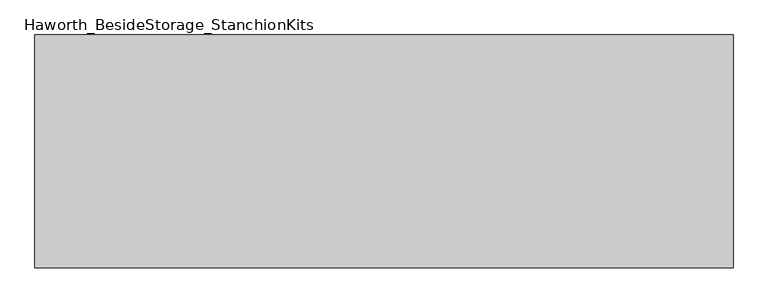
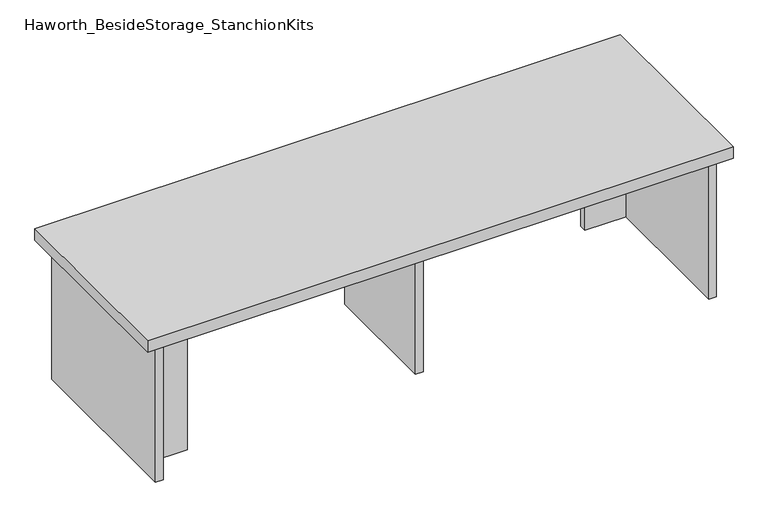
"""IFC4 building model written with IfcOpenShell, lengths in millimetres: furniture geometry, Haworth_BesideStorage_StanchionKits."""

import ifcopenshell
import ifcopenshell.guid

model = None  # the IFC model being written
_history = None  # IfcOwnerHistory: only IFC2X3 demands one
_inside = {}  # id of a spatial element -> (the spatial element, [elements in it])
_under = {}  # id of a project, library or spatial element -> (it, [spatial elements below it])
_declared = {}  # id of a project -> (the project, [libraries it declares])
_typed = {}  # id of a type object -> (the type object, [elements of that type])
_made_of = {}  # id of a material, layer set ... -> (it, [elements and type objects made of it])


def new_model(schema):
    """Start an empty IFC model of exactly this schema.

    Asked for "IFC4X3", IfcOpenShell would pick the latest addendum, in which some entities
    have other attributes; the version numbers below select the first issue.
    IFC2X3 requires an IfcOwnerHistory on every rooted entity: one is made here for all.
    """
    global model, _history
    if schema == "IFC4X3":
        model = ifcopenshell.file(schema_version=(4, 3, 0, 0))
    else:
        model = ifcopenshell.file(schema=schema)
    _inside.clear()
    _under.clear()
    _declared.clear()
    _typed.clear()
    _made_of.clear()
    _history = None
    if model.schema == "IFC2X3":
        org = make("IfcOrganization", Name="unknown")
        user = make(
            "IfcPersonAndOrganization",
            ThePerson=make("IfcPerson", FamilyName="unknown"),
            TheOrganization=org,
        )
        app = make(
            "IfcApplication",
            ApplicationDeveloper=org,
            Version="unknown",
            ApplicationFullName="unknown",
            ApplicationIdentifier="unknown",
        )
        _history = make(
            "IfcOwnerHistory",
            OwningUser=user,
            OwningApplication=app,
            ChangeAction="ADDED",
            CreationDate=0,
        )
    return model


def make(cls, **values):
    """One entity of the class cls with the attributes given. An attribute that is None is left unset."""
    return model.create_entity(
        cls, **{name: value for name, value in values.items() if value is not None}
    )


def rooted(cls, **values):
    """An entity with a GlobalId (a new one), such as an element, a storey or a relation."""
    return make(cls, GlobalId=ifcopenshell.guid.new(), OwnerHistory=_history, **values)


def si_unit(unit_type, name, prefix=None):
    """IfcSIUnit, for example si_unit("LENGTHUNIT", "METRE", prefix="MILLI")."""
    return make("IfcSIUnit", UnitType=unit_type, Prefix=prefix, Name=name)


def assignment(units):
    """IfcUnitAssignment: the units of a project."""
    return None if units is None else make("IfcUnitAssignment", Units=units)


def point(xyz):
    """IfcCartesianPoint."""
    return None if xyz is None else make("IfcCartesianPoint", Coordinates=xyz)


def direction(xyz):
    """IfcDirection."""
    return None if xyz is None else make("IfcDirection", DirectionRatios=xyz)


def frame(location, z_axis=None, x_axis=None):
    """IfcAxis2Placement3D, a coordinate frame: its origin and axes. An axis left out is left unset."""
    return make(
        "IfcAxis2Placement3D",
        Location=point(location),
        Axis=direction(z_axis),
        RefDirection=direction(x_axis),
    )


def origin():
    """The frame at (0, 0, 0) with its axes left unset."""
    return frame((0.0, 0.0, 0.0))


def place(relative_to, where):
    """IfcLocalPlacement: puts the frame where relative to a parent placement (None: the world)."""
    return make(
        "IfcLocalPlacement", PlacementRelTo=relative_to, RelativePlacement=where
    )


def context(
    kind, dimensions, precision=None, world=None, true_north=None, identifier=None
):
    """IfcGeometricRepresentationContext, for example the 3D "Model" context."""
    return make(
        "IfcGeometricRepresentationContext",
        ContextIdentifier=identifier,
        ContextType=kind,
        CoordinateSpaceDimension=dimensions,
        Precision=precision,
        WorldCoordinateSystem=world,
        TrueNorth=true_north,
    )


def project(units=None, contexts=None):
    """IfcProject with its units and contexts."""
    return rooted(
        "IfcProject",
        Name="project",
        RepresentationContexts=contexts,
        UnitsInContext=assignment(units),
    )


def spatial(cls, under=None, at=None, **own):
    """A site, building, storey or space (cls), placed at a placement, below another one or the project."""
    s = rooted(cls, ObjectPlacement=at, **own)
    if under is not None:
        _under.setdefault(under.id(), (under, []))[1].append(s)
    return s


def polyline(points):
    """IfcPolyline through the points."""
    return make("IfcPolyline", Points=[point(p) for p in points])


def outline(outer, holes=None, kind="AREA"):
    """IfcArbitraryClosedProfileDef: a profile drawn as a closed curve; with holes, ...WithVoids."""
    if holes is None:
        return make("IfcArbitraryClosedProfileDef", ProfileType=kind, OuterCurve=outer)
    return make(
        "IfcArbitraryProfileDefWithVoids",
        ProfileType=kind,
        OuterCurve=outer,
        InnerCurves=holes,
    )


def extrude(swept, where, along, depth):
    """IfcExtrudedAreaSolid: the profile swept, set in the frame where, extruded along a direction by depth."""
    return make(
        "IfcExtrudedAreaSolid",
        SweptArea=swept,
        Position=where,
        ExtrudedDirection=direction(along),
        Depth=depth,
    )


def shape(context_of_items, identifier, shape_type, items):
    """IfcShapeRepresentation: the items that make up one representation, for example the "Body"."""
    return make(
        "IfcShapeRepresentation",
        ContextOfItems=context_of_items,
        RepresentationIdentifier=identifier,
        RepresentationType=shape_type,
        Items=items,
    )


def source(mapping_origin, context_of_items, identifier, shape_type, items):
    """IfcRepresentationMap: a shape defined once, which mapped items show again and again."""
    return make(
        "IfcRepresentationMap",
        MappingOrigin=mapping_origin,
        MappedRepresentation=shape(context_of_items, identifier, shape_type, items),
    )


def transform(
    local_origin,
    x_axis=None,
    y_axis=None,
    z_axis=None,
    scale=None,
    scale2=None,
    scale3=None,
    uniform=True,
):
    """IfcCartesianTransformationOperator3D, or its non-uniform kind. x_axis, y_axis, z_axis: its Axis1, 2, 3."""
    if uniform:
        return make(
            "IfcCartesianTransformationOperator3D",
            Axis1=direction(x_axis),
            Axis2=direction(y_axis),
            LocalOrigin=point(local_origin),
            Scale=scale,
            Axis3=direction(z_axis),
        )
    return make(
        "IfcCartesianTransformationOperator3DnonUniform",
        Axis1=direction(x_axis),
        Axis2=direction(y_axis),
        LocalOrigin=point(local_origin),
        Scale=scale,
        Axis3=direction(z_axis),
        Scale2=scale2,
        Scale3=scale3,
    )


def mapped(mapping_source, mapping_target):
    """IfcMappedItem: shows the shape of a source again, moved by a transform."""
    return make(
        "IfcMappedItem", MappingSource=mapping_source, MappingTarget=mapping_target
    )


def made_of(thing, what):
    """Note that an element or type object is made of a material, layer set ...; save() writes the relation."""
    if what is not None:
        _made_of.setdefault(what.id(), (what, []))[1].append(thing)
    return thing


def element(
    cls,
    number,
    at=None,
    inside=None,
    cuts=None,
    type_object=None,
    material=None,
    context=None,
    identifier="Body",
    shape_type=None,
    held_by="IfcProductDefinitionShape",
    body=None,
    shapes=None,
    **own,
):
    """One element of the class cls, such as IfcWall. Its Tag is "e" and its number.

    at: its placement. inside: the storey or other place that contains it. cuts: it is an
    opening in that element (IfcRelVoidsElement). A single representation is given by context,
    identifier, shape_type and body (its items); several are given by shapes. held_by: the class
    of the entity that holds the representations. save() writes the other relations.
    """
    e = rooted(cls, Tag="e%d" % number, ObjectPlacement=at, **own)
    if body is not None:
        shapes = [shape(context, identifier, shape_type, body)]
    if shapes is not None:
        e.Representation = make(held_by, Representations=shapes)
    if inside is not None:
        _inside.setdefault(inside.id(), (inside, []))[1].append(e)
    if cuts is not None:
        rooted(
            "IfcRelVoidsElement", RelatingBuildingElement=cuts, RelatedOpeningElement=e
        )
    if type_object is not None:
        _typed.setdefault(type_object.id(), (type_object, []))[1].append(e)
    return made_of(e, material)


def aggregate(whole, parts):
    """IfcRelAggregates: a whole, such as a stair, and the parts it consists of."""
    return rooted("IfcRelAggregates", RelatingObject=whole, RelatedObjects=parts)


def save(model, path):
    """Write the relations noted so far, then the file.

    IfcRelAggregates (storeys below a building ...), IfcRelContainedInSpatialStructure (elements
    in a storey), IfcRelDefinesByType, IfcRelAssociatesMaterial and IfcRelDeclares: one each for
    every whole, place, type object, material and project.
    """
    for whole, parts in _under.values():
        aggregate(whole, parts)
    for where, things in _inside.values():
        rooted(
            "IfcRelContainedInSpatialStructure",
            RelatedElements=things,
            RelatingStructure=where,
        )
    for kind, things in _typed.values():
        rooted("IfcRelDefinesByType", RelatedObjects=things, RelatingType=kind)
    for what, things in _made_of.values():
        rooted("IfcRelAssociatesMaterial", RelatedObjects=things, RelatingMaterial=what)
    for by, libraries in _declared.values():
        rooted("IfcRelDeclares", RelatingContext=by, RelatedDefinitions=libraries)
    model.write(path)


def haworth_besidestorage_stanchionkits_61475356(model_context):
    return source(origin(), model_context, "Body", "SweptSolid", [
        extrude(outline(polyline([(771.525, 0.0), (771.525, -406.4), (-447.675, -406.4), (-447.675, 0.0), (771.525, 0.0)])), frame((0.0, 0.0, 736.6), z_axis=(0.0, 0.0, 1.0), x_axis=(1.0, 0.0, 0.0)), (0.0, 0.0, 1.0), 25.4),
        extrude(outline(polyline([(644.525, -76.2), (730.25, -76.2), (730.25, -92.075), (644.525, -92.075), (644.525, -76.2)])), frame((0.0, 0.0, 431.8), z_axis=(0.0, 0.0, 1.0), x_axis=(1.0, 0.0, 0.0)), (0.0, 0.0, 1.0), 304.8),
        extrude(outline(polyline([(-320.675, -314.325), (-320.675, -330.2), (-406.4, -330.2), (-406.4, -314.325), (-320.675, -314.325)])), frame((0.0, 0.0, 431.8), z_axis=(0.0, 0.0, 1.0), x_axis=(1.0, 0.0, 0.0)), (0.0, 0.0, 1.0), 304.8),
        extrude(outline(polyline([(169.8625, -330.2), (153.9875, -330.2), (153.9875, -76.2), (169.8625, -76.2), (169.8625, -330.2)])), frame((0.0, 0.0, 431.8), z_axis=(0.0, 0.0, 1.0), x_axis=(1.0, 0.0, 0.0)), (0.0, 0.0, 1.0), 304.8),
        extrude(outline(polyline([(746.125, -390.525), (730.25, -390.525), (730.25, -15.875), (746.125, -15.875), (746.125, -390.525)])), frame((0.0, 0.0, 431.8), z_axis=(0.0, 0.0, 1.0), x_axis=(1.0, 0.0, 0.0)), (0.0, 0.0, 1.0), 304.8),
        extrude(outline(polyline([(-406.4, -390.525), (-422.275, -390.525), (-422.275, -15.875), (-406.4, -15.875), (-406.4, -390.525)])), frame((0.0, 0.0, 431.8), z_axis=(0.0, 0.0, 1.0), x_axis=(1.0, 0.0, 0.0)), (0.0, 0.0, 1.0), 304.8),
    ])


if __name__ == "__main__":
    model = new_model("IFC4")
    model_context = context("Model", 3, world=origin())
    ifc_project = project(units=[si_unit("LENGTHUNIT", "METRE", prefix="MILLI")], contexts=[model_context])
    site = spatial("IfcSite", under=ifc_project)
    building = spatial("IfcBuilding", under=site)
    placement = place(None, origin())
    haworth_besidestorage_stanchionkits_shape = haworth_besidestorage_stanchionkits_61475356(model_context)
    element("IfcFurniture", 1, ObjectType="Haworth_BesideStorage_StanchionKits", at=placement, inside=building, context=model_context, shape_type="MappedRepresentation", body=[
        mapped(haworth_besidestorage_stanchionkits_shape, transform((0.0, 0.0, 0.0), x_axis=(1.0, 0.0, 0.0), y_axis=(0.0, 1.0, 0.0), z_axis=(0.0, 0.0, 1.0))),
    ])
    save(model, "model.ifc")
